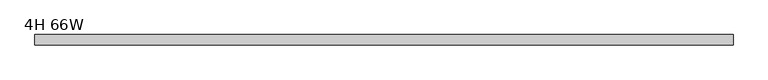
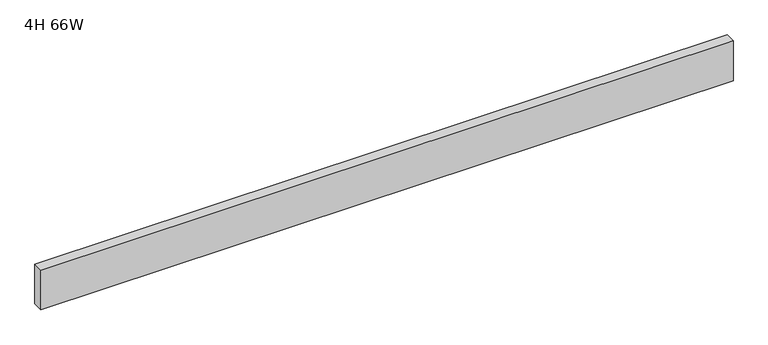
"""IFC4 building model written with IfcOpenShell, lengths in millimetres: furniture geometry, 4H 66W."""

from ifc_helpers import new_model, si_unit, frame, origin, place, context, project, spatial, polyline, outline, extrude, source, transform, mapped, element, save


def furniture_4h_66w_b8ea231c(model_context):
    return source(origin(), model_context, "Body", "SweptSolid", [
        extrude(outline(polyline([(1676.4, 0.0), (1676.4, -25.4), (0.0, -25.4), (0.0, 0.0), (1676.4, 0.0)])), frame((0.0, 0.0, 863.6), z_axis=(0.0, 0.0, 1.0), x_axis=(1.0, 0.0, 0.0)), (0.0, 0.0, 1.0), 101.6),
    ])


if __name__ == "__main__":
    model = new_model("IFC4")
    model_context = context("Model", 3, world=origin())
    ifc_project = project(units=[si_unit("LENGTHUNIT", "METRE", prefix="MILLI")], contexts=[model_context])
    site = spatial("IfcSite", under=ifc_project)
    building = spatial("IfcBuilding", under=site)
    placement = place(None, origin())
    furniture_4h_66w_shape = furniture_4h_66w_b8ea231c(model_context)
    element("IfcFurniture", 1, ObjectType="4H 66W", at=placement, inside=building, context=model_context, shape_type="MappedRepresentation", body=[
        mapped(furniture_4h_66w_shape, transform((0.0, 0.0, 0.0), x_axis=(1.0, 0.0, 0.0), y_axis=(0.0, 1.0, 0.0), z_axis=(0.0, 0.0, 1.0))),
    ])
    save(model, "model.ifc")
